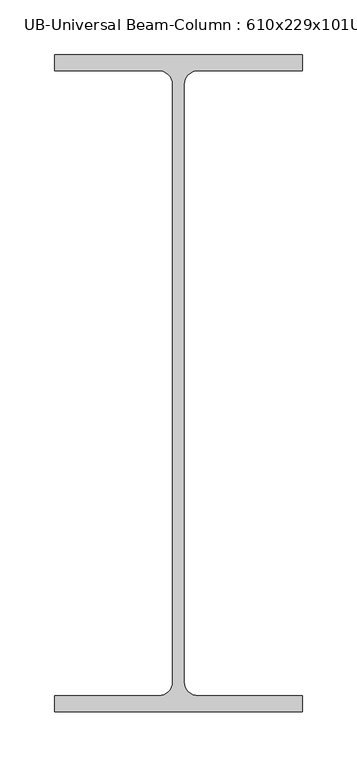
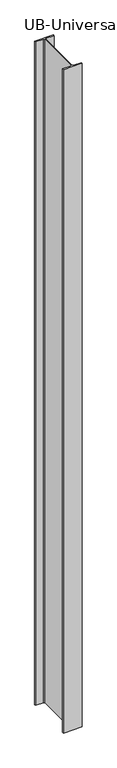
"""IFC4 building model written with IfcOpenShell, lengths in millimetres: column geometry, UB-Universal Beam-Column : 610x229x101UB."""

from ifc_helpers import new_model, si_unit, point, frame, frame_2d, origin, place, context, project, spatial, polyline, circle_curve, trimmed, segment, composite_curve, outline, extrude, source, transform, mapped, element, save


def ub_universal_beam_column_610x229x101ub_b484afe8(model_context):
    return source(origin(), model_context, "Body", "SweptSolid", [
        extrude(outline(composite_curve([segment(polyline([(113.8, 301.3), (113.8, 286.5), (17.95, 286.5)]), True, "CONTINUOUS"), segment(trimmed(circle_curve(frame_2d((17.95, 273.8)), 12.7), [point((17.95, 286.5))], [point((5.25, 273.8))], True, "CARTESIAN"), True, "CONTINUOUS"), segment(polyline([(5.25, 273.8), (5.25, -273.8)]), True, "CONTINUOUS"), segment(trimmed(circle_curve(frame_2d((17.95, -273.8)), 12.7), [point((5.25, -273.8))], [point((17.95, -286.5))], True, "CARTESIAN"), True, "CONTINUOUS"), segment(polyline([(17.95, -286.5), (113.8, -286.5), (113.8, -301.3), (-113.8, -301.3), (-113.8, -286.5), (-17.95, -286.5)]), True, "CONTINUOUS"), segment(trimmed(circle_curve(frame_2d((-17.95, -273.8)), 12.7), [point((-17.95, -286.5))], [point((-5.25, -273.8))], True, "CARTESIAN"), True, "CONTINUOUS"), segment(polyline([(-5.25, -273.8), (-5.25, 273.8)]), True, "CONTINUOUS"), segment(trimmed(circle_curve(frame_2d((-17.95, 273.8)), 12.7), [point((-5.25, 273.8))], [point((-17.95, 286.5))], True, "CARTESIAN"), True, "CONTINUOUS"), segment(polyline([(-17.95, 286.5), (-113.8, 286.5), (-113.8, 301.3), (113.8, 301.3)]), True, "CONTINUOUS")], self_intersect=False)), frame((0.0, 0.0, 500.0), z_axis=(0.0, 0.0, 1.0), x_axis=(1.0, 0.0, 0.0)), (0.0, 0.0, 1.0), 8500.0),
    ])


if __name__ == "__main__":
    model = new_model("IFC4")
    model_context = context("Model", 3, world=origin())
    ifc_project = project(units=[si_unit("LENGTHUNIT", "METRE", prefix="MILLI")], contexts=[model_context])
    site = spatial("IfcSite", under=ifc_project)
    building = spatial("IfcBuilding", under=site)
    placement = place(None, origin())
    ub_universal_beam_column_610x229x101ub_shape = ub_universal_beam_column_610x229x101ub_b484afe8(model_context)
    element("IfcColumn", 1, ObjectType="UB-Universal Beam-Column : 610x229x101UB", at=placement, inside=building, context=model_context, shape_type="MappedRepresentation", body=[
        mapped(ub_universal_beam_column_610x229x101ub_shape, transform((0.0, 0.0, 0.0), x_axis=(1.0, 0.0, 0.0), y_axis=(0.0, 1.0, 0.0), z_axis=(0.0, 0.0, 1.0))),
    ])
    save(model, "model.ifc")
